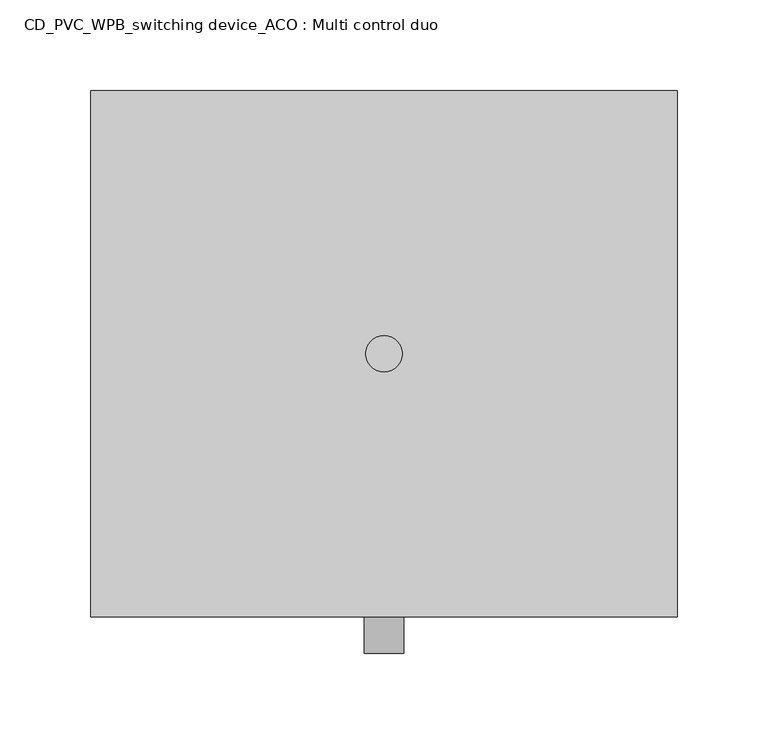
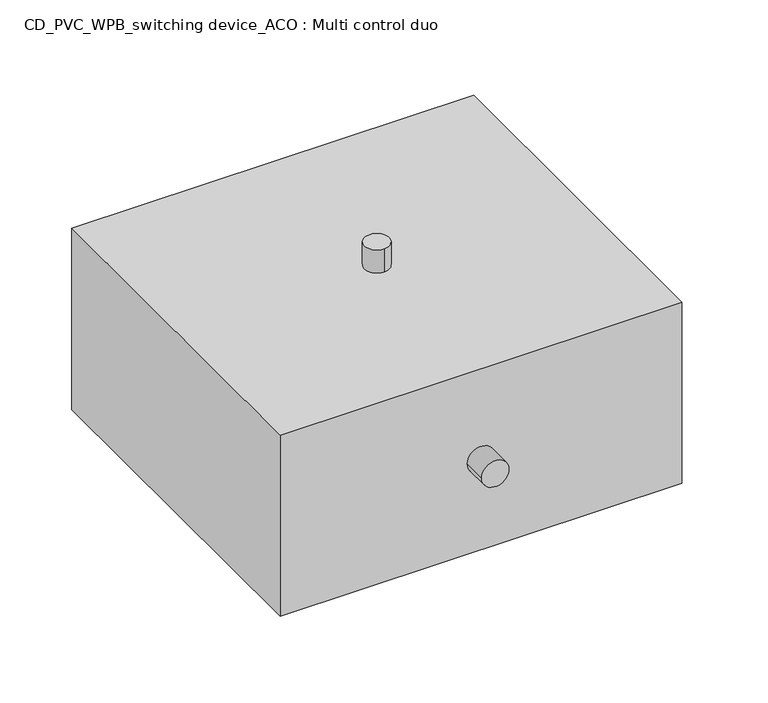
"""IFC4 building model written with IfcOpenShell, lengths in millimetres: proxy geometry, CD_PVC_WPB_switching device_ACO : Multi control duo."""

from ifc_helpers import new_model, si_unit, point, frame, origin, origin_2d, place, context, project, spatial, circle_curve, trimmed, segment, composite_curve, outline, extrude, source, transform, mapped, element, save
from ifc_brep_helpers import plane_surface, cylinder_surface, advanced_brep


def cd_pvc_wpb_switching_device_aco_multi_control_duo_f642bb7a(model_context):
    return source(origin(), model_context, "Body", "SolidModel", [
        advanced_brep(
        [(-11.0, -165.0, 77.0), (11.0, -165.0, 77.0), (11.0, -145.0, 77.0), (-11.0, -145.0, 77.0), (161.5, 145.0, 154.0), (-161.5, 145.0, 154.0), (-161.5, -145.0, 154.0), (161.5, -145.0, 154.0), (161.5, 145.0, 0.0), (161.5, -145.0, 0.0), (-161.5, -145.0, 0.0), (-161.5, 145.0, 0.0)],
        [
            (0, 1, circle_curve(frame((0.0, -165.0, 77.0), z_axis=(0.0, -1.0, 0.0), x_axis=(1.0, 0.0, 0.0)), 11.0)),
            (1, 0, circle_curve(frame((0.0, -165.0, 77.0), z_axis=(0.0, -1.0, 0.0), x_axis=(1.0, 0.0, 0.0)), 11.0)),
            (1, 2),
            (2, 3, circle_curve(frame((0.0, -145.0, 77.0), z_axis=(0.0, -1.0, 0.0), x_axis=(1.0, 0.0, 0.0)), 11.0)),
            (3, 0),
            (3, 2, circle_curve(frame((0.0, -145.0, 77.0), z_axis=(0.0, -1.0, 0.0), x_axis=(1.0, 0.0, 0.0)), 11.0)),
            (4, 5),
            (5, 6),
            (6, 7),
            (7, 4),
            (8, 9),
            (9, 10),
            (10, 11),
            (11, 8),
            (4, 8),
            (11, 5),
            (10, 6),
            (9, 7),
        ],
        [
            plane_surface(frame((0.0, -165.0, 77.0), z_axis=(0.0, -1.0, 0.0), x_axis=(0.0, 0.0, 1.0))),
            cylinder_surface(frame((0.0, -145.0, 77.0), z_axis=(0.0, 1.0, 0.0), x_axis=(1.0, 0.0, 0.0)), 11.0),
            plane_surface(frame((-161.5, 145.0, 154.0), z_axis=(0.0, 0.0, 1.0), x_axis=(-1.0, 0.0, 0.0))),
            plane_surface(frame((-161.5, 145.0, 0.0), z_axis=(0.0, 0.0, -1.0), x_axis=(1.0, 0.0, 0.0))),
            plane_surface(frame((161.5, 145.0, 154.0), z_axis=(0.0, 1.0, 0.0), x_axis=(0.0, 0.0, -1.0))),
            plane_surface(frame((-161.5, 145.0, 154.0), z_axis=(-1.0, 0.0, 0.0), x_axis=(0.0, 0.0, -1.0))),
            plane_surface(frame((-161.5, -145.0, 154.0), z_axis=(0.0, -1.0, 0.0), x_axis=(0.0, 0.0, -1.0))),
            plane_surface(frame((161.5, -145.0, 154.0), z_axis=(1.0, 0.0, 0.0), x_axis=(0.0, 0.0, -1.0))),
        ],
        [
            (0, [[1, 2]]),
            (1, [[-2, 3, 4, 5]]),
            (1, [[-1, -5, 6, -3]]),
            (2, [[7, 8, 9, 10]]),
            (3, [[11, 12, 13, 14]]),
            (4, [[-7, 15, -14, 16]]),
            (5, [[-8, -16, -13, 17]]),
            (6, [[-9, -17, -12, 18], [-4, -6]]),
            (7, [[-10, -18, -11, -15]]),
        ],
    ),
        extrude(outline(composite_curve([segment(trimmed(circle_curve(origin_2d(), 10.0), [point((0.0, 10.0))], [point((0.0, -10.0))], False, "CARTESIAN"), True, "CONTINUOUS"), segment(trimmed(circle_curve(origin_2d(), 10.0), [point((0.0, -10.0))], [point((0.0, 10.0))], False, "CARTESIAN"), True, "CONTINUOUS")], self_intersect=False)), frame((0.0, 0.0, 154.0), z_axis=(0.0, 0.0, 1.0), x_axis=(1.0, 0.0, 0.0)), (0.0, 0.0, 1.0), 20.0),
    ])


if __name__ == "__main__":
    model = new_model("IFC4")
    model_context = context("Model", 3, world=origin())
    ifc_project = project(units=[si_unit("LENGTHUNIT", "METRE", prefix="MILLI")], contexts=[model_context])
    site = spatial("IfcSite", under=ifc_project)
    building = spatial("IfcBuilding", under=site)
    placement = place(None, origin())
    cd_pvc_wpb_switching_device_aco_multi_control_duo_shape = cd_pvc_wpb_switching_device_aco_multi_control_duo_f642bb7a(model_context)
    element("IfcBuildingElementProxy", 1, Name="CD_PVC_WPB_switching device_ACO : Multi control duo", ObjectType="CD_PVC_WPB_switching device_ACO : Multi control duo", at=placement, inside=building, context=model_context, shape_type="MappedRepresentation", body=[
        mapped(cd_pvc_wpb_switching_device_aco_multi_control_duo_shape, transform((0.0, 0.0, 0.0), x_axis=(1.0, 0.0, 0.0), y_axis=(0.0, 1.0, 0.0), z_axis=(0.0, 0.0, 1.0))),
    ])
    save(model, "model.ifc")
